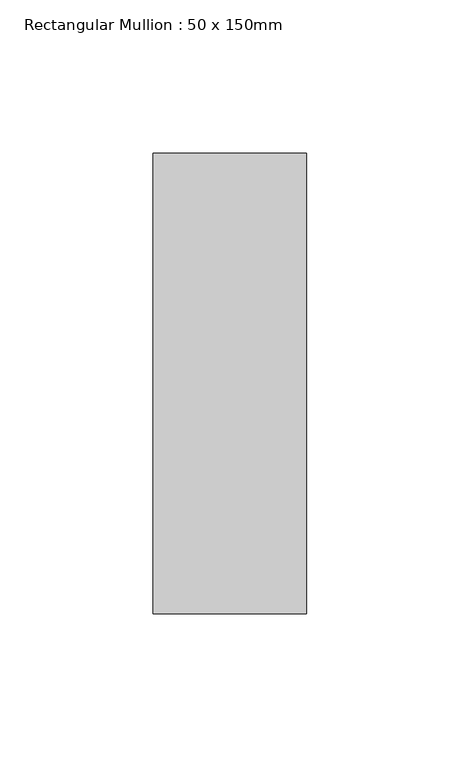
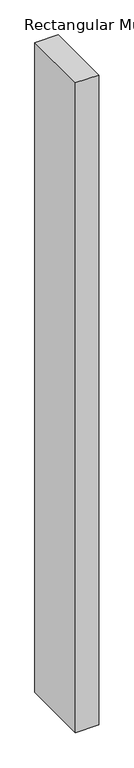
"""IFC4 building model written with IfcOpenShell, lengths in millimetres: member geometry, Rectangular Mullion : 50 x 150mm."""

from ifc_helpers import new_model, si_unit, frame, origin, place, context, project, spatial, polyline, outline, extrude, source, transform, mapped, element, save


def rectangular_mullion_50_x_150mm_88ce3d26(model_context):
    return source(origin(), model_context, "Body", "SweptSolid", [
        extrude(outline(polyline([(25.0, 75.0), (25.0, -75.0), (-25.0, -75.0), (-25.0, 75.0), (25.0, 75.0)])), frame((0.0, 0.0, -1467.9573923), z_axis=(0.0, 0.0, 1.0), x_axis=(1.0, 0.0, 0.0)), (0.0, 0.0, 1.0), 1467.9573923),
    ])


if __name__ == "__main__":
    model = new_model("IFC4")
    model_context = context("Model", 3, world=origin())
    ifc_project = project(units=[si_unit("LENGTHUNIT", "METRE", prefix="MILLI")], contexts=[model_context])
    site = spatial("IfcSite", under=ifc_project)
    building = spatial("IfcBuilding", under=site)
    placement = place(None, origin())
    rectangular_mullion_50_x_150mm_shape = rectangular_mullion_50_x_150mm_88ce3d26(model_context)
    element("IfcMember", 1, ObjectType="Rectangular Mullion : 50 x 150mm", at=placement, inside=building, context=model_context, shape_type="MappedRepresentation", body=[
        mapped(rectangular_mullion_50_x_150mm_shape, transform((0.0, 0.0, 0.0), x_axis=(1.0, 0.0, 0.0), y_axis=(0.0, 1.0, 0.0), z_axis=(0.0, 0.0, 1.0))),
    ])
    save(model, "model.ifc")
